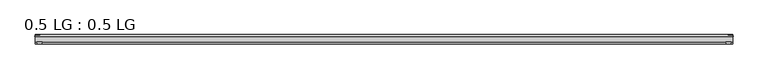
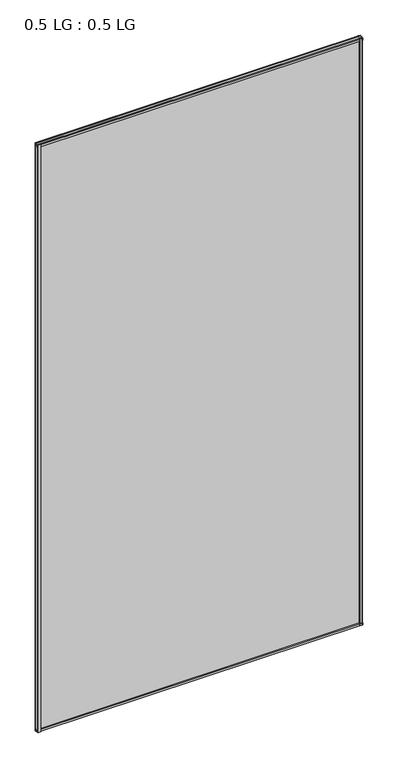
"""IFC4 building model written with IfcOpenShell, lengths in millimetres: plate geometry, 0.5 LG : 0.5 LG."""

from ifc_helpers import new_model, si_unit, frame, origin, origin_with_axes, place, context, project, spatial, polyline, outline, extrude, source, transform, mapped, element, save


def plate_0_5_lg_0_5_lg_01e8d2c7(model_context):
    return source(origin(), model_context, "Body", "SweptSolid", [
        extrude(outline(polyline([(-843.2139513, 16.9767247), (-844.4235412, 21.828125), (-830.8660345, 21.828125), (-832.0756244, 16.9767247), (-843.2139513, 16.9767247)])), origin_with_axes(), (0.0, 0.0, 1.0), 3233.5048761),
        extrude(outline(polyline([(-848.6599387, 34.680525), (-847.4221258, 39.4557249), (-836.3096173, 39.4557249), (-835.0958142, 34.680525), (-848.6599387, 34.680525)])), origin_with_axes(), (0.0, 0.0, 1.0), 3233.5048761),
        extrude(outline(polyline([(843.2139513, 16.9767247), (832.0756244, 16.9767247), (830.8660345, 21.828125), (844.4235412, 21.828125), (843.2139513, 16.9767247)])), origin_with_axes(), (0.0, 0.0, 1.0), 3233.5048761),
        extrude(outline(polyline([(848.6599387, 34.680525), (835.0958142, 34.680525), (836.3096173, 39.4557249), (847.4221258, 39.4557249), (848.6599387, 34.680525)])), origin_with_axes(), (0.0, 0.0, 1.0), 3233.5048761),
        extrude(outline(polyline([(39.4569539, 11.124921), (39.4569539, 0.0005878), (34.680525, -1.2138382), (34.680525, 12.3392211), (39.4569539, 11.124921)])), frame((-847.4221258, 0.0, 0.0), z_axis=(1.0, 0.0, 0.0), x_axis=(0.0, 1.0, 0.0)), (0.0, 0.0, 1.0), 1694.8442516),
        extrude(outline(polyline([(16.9767101, 13.8303088), (21.828125, 15.0636853), (21.828125, 1.4714303), (16.9767101, 2.704584), (16.9767101, 13.8303088)])), frame((-847.4221258, 0.0, 0.0), z_axis=(1.0, 0.0, 0.0), x_axis=(0.0, 1.0, 0.0)), (0.0, 0.0, 1.0), 1694.8442516),
        extrude(outline(polyline([(39.4569539, 3222.3799551), (34.680525, 3221.1656551), (34.680525, 3234.7187143), (39.4569539, 3233.5042883), (39.4569539, 3222.3799551)])), frame((-847.4221258, 0.0, 0.0), z_axis=(1.0, 0.0, 0.0), x_axis=(0.0, 1.0, 0.0)), (0.0, 0.0, 1.0), 1694.8442516),
        extrude(outline(polyline([(16.9767101, 3219.6745673), (16.9767101, 3230.8002922), (21.828125, 3232.0334458), (21.828125, 3218.4411908), (16.9767101, 3219.6745673)])), frame((-847.4221258, 0.0, 0.0), z_axis=(1.0, 0.0, 0.0), x_axis=(0.0, 1.0, 0.0)), (0.0, 0.0, 1.0), 1694.8442516),
        extrude(outline(polyline([(847.4221258, 34.680525), (847.4221258, 21.828125), (-847.4221258, 21.828125), (-847.4221258, 34.680525), (847.4221258, 34.680525)])), origin_with_axes(), (0.0, 0.0, 1.0), 3233.5048761),
    ])


if __name__ == "__main__":
    model = new_model("IFC4")
    model_context = context("Model", 3, world=origin())
    ifc_project = project(units=[si_unit("LENGTHUNIT", "METRE", prefix="MILLI")], contexts=[model_context])
    site = spatial("IfcSite", under=ifc_project)
    building = spatial("IfcBuilding", under=site)
    placement = place(None, origin())
    plate_0_5_lg_0_5_lg_shape = plate_0_5_lg_0_5_lg_01e8d2c7(model_context)
    element("IfcPlate", 1, ObjectType="0.5 LG : 0.5 LG", at=placement, inside=building, context=model_context, shape_type="MappedRepresentation", body=[
        mapped(plate_0_5_lg_0_5_lg_shape, transform((0.0, 0.0, 0.0), x_axis=(1.0, 0.0, 0.0), y_axis=(0.0, 1.0, 0.0), z_axis=(0.0, 0.0, 1.0))),
    ])
    save(model, "model.ifc")
